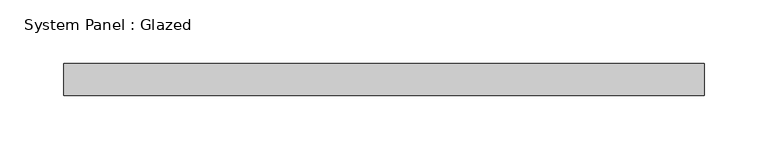
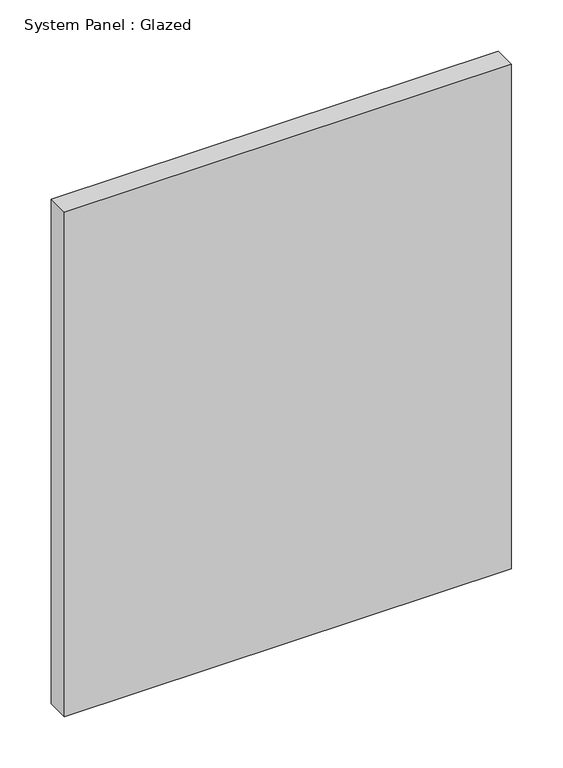
"""IFC4 building model written with IfcOpenShell, lengths in millimetres: plate geometry, System Panel : Glazed."""

from ifc_helpers import new_model, si_unit, origin, origin_with_axes, place, context, project, spatial, polyline, outline, extrude, source, transform, mapped, element, save


def system_panel_glazed_aa139228(model_context):
    return source(origin(), model_context, "Body", "SweptSolid", [
        extrude(outline(polyline([(251.5, -37.5), (-251.5, -37.5), (-251.5, -12.5), (251.5, -12.5), (251.5, -37.5)])), origin_with_axes(), (0.0, 0.0, 1.0), 600.0),
    ])


if __name__ == "__main__":
    model = new_model("IFC4")
    model_context = context("Model", 3, world=origin())
    ifc_project = project(units=[si_unit("LENGTHUNIT", "METRE", prefix="MILLI")], contexts=[model_context])
    site = spatial("IfcSite", under=ifc_project)
    building = spatial("IfcBuilding", under=site)
    placement = place(None, origin())
    system_panel_glazed_shape = system_panel_glazed_aa139228(model_context)
    element("IfcPlate", 1, ObjectType="System Panel : Glazed", at=placement, inside=building, context=model_context, shape_type="MappedRepresentation", body=[
        mapped(system_panel_glazed_shape, transform((0.0, 0.0, 0.0), x_axis=(1.0, 0.0, 0.0), y_axis=(0.0, 1.0, 0.0), z_axis=(0.0, 0.0, 1.0))),
    ])
    save(model, "model.ifc")
